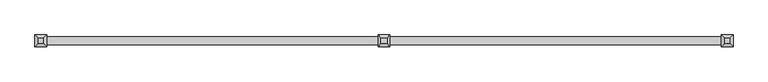
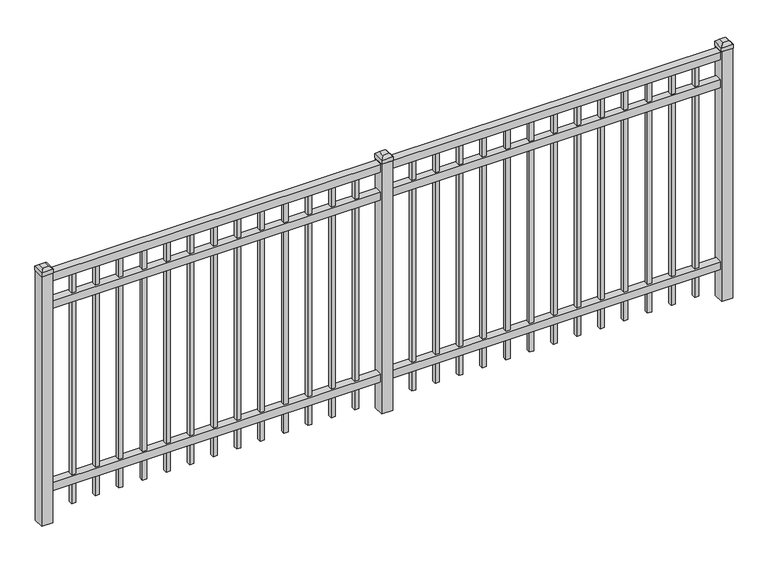
"""IFC4 building model written with IfcOpenShell, lengths in millimetres: railing geometry."""

from ifc_helpers import new_model, si_unit, frame, origin, origin_with_axes, place, context, project, spatial, polyline, outline, extrude, faceted_brep, source, transform, mapped, element, save


def railing_55cb4bf1(model_context):
    return source(origin(), model_context, "Body", "SolidModel", [
        extrude(outline(polyline([(-79633.318087, -3091.1195174), (-79633.318087, -3056.1945174), (-76483.718087, -3056.1945174), (-76483.718087, -3091.1195174), (-79633.318087, -3091.1195174)])), frame((0.0, 0.0, 1181.1), z_axis=(0.0, 0.0, 1.0), x_axis=(1.0, 0.0, 0.0)), (0.0, 0.0, 1.0), 38.1),
        extrude(outline(polyline([(-79633.318087, -3091.1195174), (-79633.318087, -3056.1945174), (-76483.718087, -3056.1945174), (-76483.718087, -3091.1195174), (-79633.318087, -3091.1195174)])), frame((0.0, 0.0, 1044.575), z_axis=(0.0, 0.0, 1.0), x_axis=(1.0, 0.0, 0.0)), (0.0, 0.0, 1.0), 38.1),
        extrude(outline(polyline([(-79633.318087, -3091.1195174), (-79633.318087, -3056.1945174), (-76483.718087, -3056.1945174), (-76483.718087, -3091.1195174), (-79633.318087, -3091.1195174)])), frame((0.0, 0.0, 152.4), z_axis=(0.0, 0.0, 1.0), x_axis=(1.0, 0.0, 0.0)), (0.0, 0.0, 1.0), 38.1),
        extrude(outline(polyline([(-76715.2285036, -3064.1320174), (-76715.2285036, -3083.1820174), (-76734.2785036, -3083.1820174), (-76734.2785036, -3064.1320174), (-76715.2285036, -3064.1320174)])), frame((0.0, 0.0, 50.8), z_axis=(0.0, 0.0, 1.0), x_axis=(1.0, 0.0, 0.0)), (0.0, 0.0, 1.0), 1130.3),
        extrude(outline(polyline([(-76824.5014203, -3064.1320174), (-76824.5014203, -3083.1820174), (-76843.5514203, -3083.1820174), (-76843.5514203, -3064.1320174), (-76824.5014203, -3064.1320174)])), frame((0.0, 0.0, 50.8), z_axis=(0.0, 0.0, 1.0), x_axis=(1.0, 0.0, 0.0)), (0.0, 0.0, 1.0), 1130.3),
        extrude(outline(polyline([(-76933.774337, -3064.1320174), (-76933.774337, -3083.1820174), (-76952.824337, -3083.1820174), (-76952.824337, -3064.1320174), (-76933.774337, -3064.1320174)])), frame((0.0, 0.0, 50.8), z_axis=(0.0, 0.0, 1.0), x_axis=(1.0, 0.0, 0.0)), (0.0, 0.0, 1.0), 1130.3),
        extrude(outline(polyline([(-77043.0472536, -3064.1320174), (-77043.0472536, -3083.1820174), (-77062.0972536, -3083.1820174), (-77062.0972536, -3064.1320174), (-77043.0472536, -3064.1320174)])), frame((0.0, 0.0, 50.8), z_axis=(0.0, 0.0, 1.0), x_axis=(1.0, 0.0, 0.0)), (0.0, 0.0, 1.0), 1130.3),
        extrude(outline(polyline([(-77152.3201703, -3064.1320174), (-77152.3201703, -3083.1820174), (-77171.3701703, -3083.1820174), (-77171.3701703, -3064.1320174), (-77152.3201703, -3064.1320174)])), frame((0.0, 0.0, 50.8), z_axis=(0.0, 0.0, 1.0), x_axis=(1.0, 0.0, 0.0)), (0.0, 0.0, 1.0), 1130.3),
        extrude(outline(polyline([(-77261.593087, -3064.1320174), (-77261.593087, -3083.1820174), (-77280.643087, -3083.1820174), (-77280.643087, -3064.1320174), (-77261.593087, -3064.1320174)])), frame((0.0, 0.0, 50.8), z_axis=(0.0, 0.0, 1.0), x_axis=(1.0, 0.0, 0.0)), (0.0, 0.0, 1.0), 1130.3),
        extrude(outline(polyline([(-77370.8660036, -3064.1320174), (-77370.8660036, -3083.1820174), (-77389.9160036, -3083.1820174), (-77389.9160036, -3064.1320174), (-77370.8660036, -3064.1320174)])), frame((0.0, 0.0, 50.8), z_axis=(0.0, 0.0, 1.0), x_axis=(1.0, 0.0, 0.0)), (0.0, 0.0, 1.0), 1130.3),
        extrude(outline(polyline([(-77480.1389203, -3064.1320174), (-77480.1389203, -3083.1820174), (-77499.1889203, -3083.1820174), (-77499.1889203, -3064.1320174), (-77480.1389203, -3064.1320174)])), frame((0.0, 0.0, 50.8), z_axis=(0.0, 0.0, 1.0), x_axis=(1.0, 0.0, 0.0)), (0.0, 0.0, 1.0), 1130.3),
        extrude(outline(polyline([(-77589.411837, -3064.1320174), (-77589.411837, -3083.1820174), (-77608.461837, -3083.1820174), (-77608.461837, -3064.1320174), (-77589.411837, -3064.1320174)])), frame((0.0, 0.0, 50.8), z_axis=(0.0, 0.0, 1.0), x_axis=(1.0, 0.0, 0.0)), (0.0, 0.0, 1.0), 1130.3),
        extrude(outline(polyline([(-77698.6847536, -3064.1320174), (-77698.6847536, -3083.1820174), (-77717.7347536, -3083.1820174), (-77717.7347536, -3064.1320174), (-77698.6847536, -3064.1320174)])), frame((0.0, 0.0, 50.8), z_axis=(0.0, 0.0, 1.0), x_axis=(1.0, 0.0, 0.0)), (0.0, 0.0, 1.0), 1130.3),
        extrude(outline(polyline([(-77807.9576703, -3064.1320174), (-77807.9576703, -3083.1820174), (-77827.0076703, -3083.1820174), (-77827.0076703, -3064.1320174), (-77807.9576703, -3064.1320174)])), frame((0.0, 0.0, 50.8), z_axis=(0.0, 0.0, 1.0), x_axis=(1.0, 0.0, 0.0)), (0.0, 0.0, 1.0), 1130.3),
        extrude(outline(polyline([(-76605.955587, -3064.1320174), (-76605.955587, -3083.1820174), (-76625.005587, -3083.1820174), (-76625.005587, -3064.1320174), (-76605.955587, -3064.1320174)])), frame((0.0, 0.0, 50.8), z_axis=(0.0, 0.0, 1.0), x_axis=(1.0, 0.0, 0.0)), (0.0, 0.0, 1.0), 1130.3),
        extrude(outline(polyline([(-77917.230587, -3064.1320174), (-77917.230587, -3083.1820174), (-77936.280587, -3083.1820174), (-77936.280587, -3064.1320174), (-77917.230587, -3064.1320174)])), frame((0.0, 0.0, 50.8), z_axis=(0.0, 0.0, 1.0), x_axis=(1.0, 0.0, 0.0)), (0.0, 0.0, 1.0), 1130.3),
        extrude(outline(polyline([(-78033.118087, -3048.2570174), (-78033.118087, -3099.0570174), (-78083.918087, -3099.0570174), (-78083.918087, -3048.2570174), (-78033.118087, -3048.2570174)])), origin_with_axes(), (0.0, 0.0, 1.0), 1225.55),
        faceted_brep([(-78085.505587, -3046.6695174, 1244.6), (-78085.505587, -3046.6695174, 1225.55), (-78085.505587, -3100.6445174, 1225.55), (-78085.505587, -3100.6445174, 1244.6), (-78072.805587, -3059.3695174, 1257.3), (-78072.805587, -3087.9445174, 1257.3), (-78031.530587, -3100.6445174, 1225.55), (-78031.530587, -3100.6445174, 1244.6), (-78044.230587, -3087.9445174, 1257.3), (-78031.530587, -3046.6695174, 1225.55), (-78031.530587, -3046.6695174, 1244.6), (-78044.230587, -3059.3695174, 1257.3)], [[[0, 1, 2, 3]], [[4, 0, 3, 5]], [[3, 2, 6, 7]], [[5, 3, 7, 8]], [[7, 6, 9, 10]], [[8, 7, 10, 11]], [[10, 9, 1, 0]], [[11, 10, 0, 4]], [[5, 8, 11, 4]], [[1, 9, 6, 2]]]),
        extrude(outline(polyline([(-78290.0285036, -3064.1320174), (-78290.0285036, -3083.1820174), (-78309.0785036, -3083.1820174), (-78309.0785036, -3064.1320174), (-78290.0285036, -3064.1320174)])), frame((0.0, 0.0, 50.8), z_axis=(0.0, 0.0, 1.0), x_axis=(1.0, 0.0, 0.0)), (0.0, 0.0, 1.0), 1130.3),
        extrude(outline(polyline([(-78399.3014203, -3064.1320174), (-78399.3014203, -3083.1820174), (-78418.3514203, -3083.1820174), (-78418.3514203, -3064.1320174), (-78399.3014203, -3064.1320174)])), frame((0.0, 0.0, 50.8), z_axis=(0.0, 0.0, 1.0), x_axis=(1.0, 0.0, 0.0)), (0.0, 0.0, 1.0), 1130.3),
        extrude(outline(polyline([(-78508.574337, -3064.1320174), (-78508.574337, -3083.1820174), (-78527.624337, -3083.1820174), (-78527.624337, -3064.1320174), (-78508.574337, -3064.1320174)])), frame((0.0, 0.0, 50.8), z_axis=(0.0, 0.0, 1.0), x_axis=(1.0, 0.0, 0.0)), (0.0, 0.0, 1.0), 1130.3),
        extrude(outline(polyline([(-78617.8472536, -3064.1320174), (-78617.8472536, -3083.1820174), (-78636.8972536, -3083.1820174), (-78636.8972536, -3064.1320174), (-78617.8472536, -3064.1320174)])), frame((0.0, 0.0, 50.8), z_axis=(0.0, 0.0, 1.0), x_axis=(1.0, 0.0, 0.0)), (0.0, 0.0, 1.0), 1130.3),
        extrude(outline(polyline([(-78727.1201703, -3064.1320174), (-78727.1201703, -3083.1820174), (-78746.1701703, -3083.1820174), (-78746.1701703, -3064.1320174), (-78727.1201703, -3064.1320174)])), frame((0.0, 0.0, 50.8), z_axis=(0.0, 0.0, 1.0), x_axis=(1.0, 0.0, 0.0)), (0.0, 0.0, 1.0), 1130.3),
        extrude(outline(polyline([(-78836.393087, -3064.1320174), (-78836.393087, -3083.1820174), (-78855.443087, -3083.1820174), (-78855.443087, -3064.1320174), (-78836.393087, -3064.1320174)])), frame((0.0, 0.0, 50.8), z_axis=(0.0, 0.0, 1.0), x_axis=(1.0, 0.0, 0.0)), (0.0, 0.0, 1.0), 1130.3),
        extrude(outline(polyline([(-78945.6660036, -3064.1320174), (-78945.6660036, -3083.1820174), (-78964.7160036, -3083.1820174), (-78964.7160036, -3064.1320174), (-78945.6660036, -3064.1320174)])), frame((0.0, 0.0, 50.8), z_axis=(0.0, 0.0, 1.0), x_axis=(1.0, 0.0, 0.0)), (0.0, 0.0, 1.0), 1130.3),
        extrude(outline(polyline([(-79054.9389203, -3064.1320174), (-79054.9389203, -3083.1820174), (-79073.9889203, -3083.1820174), (-79073.9889203, -3064.1320174), (-79054.9389203, -3064.1320174)])), frame((0.0, 0.0, 50.8), z_axis=(0.0, 0.0, 1.0), x_axis=(1.0, 0.0, 0.0)), (0.0, 0.0, 1.0), 1130.3),
        extrude(outline(polyline([(-79164.211837, -3064.1320174), (-79164.211837, -3083.1820174), (-79183.261837, -3083.1820174), (-79183.261837, -3064.1320174), (-79164.211837, -3064.1320174)])), frame((0.0, 0.0, 50.8), z_axis=(0.0, 0.0, 1.0), x_axis=(1.0, 0.0, 0.0)), (0.0, 0.0, 1.0), 1130.3),
        extrude(outline(polyline([(-79273.4847536, -3064.1320174), (-79273.4847536, -3083.1820174), (-79292.5347536, -3083.1820174), (-79292.5347536, -3064.1320174), (-79273.4847536, -3064.1320174)])), frame((0.0, 0.0, 50.8), z_axis=(0.0, 0.0, 1.0), x_axis=(1.0, 0.0, 0.0)), (0.0, 0.0, 1.0), 1130.3),
        extrude(outline(polyline([(-79382.7576703, -3064.1320174), (-79382.7576703, -3083.1820174), (-79401.8076703, -3083.1820174), (-79401.8076703, -3064.1320174), (-79382.7576703, -3064.1320174)])), frame((0.0, 0.0, 50.8), z_axis=(0.0, 0.0, 1.0), x_axis=(1.0, 0.0, 0.0)), (0.0, 0.0, 1.0), 1130.3),
        extrude(outline(polyline([(-78180.755587, -3064.1320174), (-78180.755587, -3083.1820174), (-78199.805587, -3083.1820174), (-78199.805587, -3064.1320174), (-78180.755587, -3064.1320174)])), frame((0.0, 0.0, 50.8), z_axis=(0.0, 0.0, 1.0), x_axis=(1.0, 0.0, 0.0)), (0.0, 0.0, 1.0), 1130.3),
        extrude(outline(polyline([(-79492.030587, -3064.1320174), (-79492.030587, -3083.1820174), (-79511.080587, -3083.1820174), (-79511.080587, -3064.1320174), (-79492.030587, -3064.1320174)])), frame((0.0, 0.0, 50.8), z_axis=(0.0, 0.0, 1.0), x_axis=(1.0, 0.0, 0.0)), (0.0, 0.0, 1.0), 1130.3),
        extrude(outline(polyline([(-76458.318087, -3048.2570174), (-76458.318087, -3099.0570174), (-76509.118087, -3099.0570174), (-76509.118087, -3048.2570174), (-76458.318087, -3048.2570174)])), origin_with_axes(), (0.0, 0.0, 1.0), 1225.55),
        faceted_brep([(-76510.705587, -3046.6695174, 1244.6), (-76510.705587, -3046.6695174, 1225.55), (-76510.705587, -3100.6445174, 1225.55), (-76510.705587, -3100.6445174, 1244.6), (-76498.005587, -3059.3695174, 1257.3), (-76498.005587, -3087.9445174, 1257.3), (-76456.730587, -3100.6445174, 1225.55), (-76456.730587, -3100.6445174, 1244.6), (-76469.430587, -3087.9445174, 1257.3), (-76456.730587, -3046.6695174, 1225.55), (-76456.730587, -3046.6695174, 1244.6), (-76469.430587, -3059.3695174, 1257.3)], [[[0, 1, 2, 3]], [[4, 0, 3, 5]], [[3, 2, 6, 7]], [[5, 3, 7, 8]], [[7, 6, 9, 10]], [[8, 7, 10, 11]], [[10, 9, 1, 0]], [[11, 10, 0, 4]], [[5, 8, 11, 4]], [[1, 9, 6, 2]]]),
        extrude(outline(polyline([(-79607.918087, -3048.2570174), (-79607.918087, -3099.0570174), (-79658.718087, -3099.0570174), (-79658.718087, -3048.2570174), (-79607.918087, -3048.2570174)])), origin_with_axes(), (0.0, 0.0, 1.0), 1225.55),
        faceted_brep([(-79660.305587, -3046.6695174, 1244.6), (-79660.305587, -3046.6695174, 1225.55), (-79660.305587, -3100.6445174, 1225.55), (-79660.305587, -3100.6445174, 1244.6), (-79647.605587, -3059.3695174, 1257.3), (-79647.605587, -3087.9445174, 1257.3), (-79606.330587, -3100.6445174, 1225.55), (-79606.330587, -3100.6445174, 1244.6), (-79619.030587, -3087.9445174, 1257.3), (-79606.330587, -3046.6695174, 1225.55), (-79606.330587, -3046.6695174, 1244.6), (-79619.030587, -3059.3695174, 1257.3)], [[[0, 1, 2, 3]], [[4, 0, 3, 5]], [[3, 2, 6, 7]], [[5, 3, 7, 8]], [[7, 6, 9, 10]], [[8, 7, 10, 11]], [[10, 9, 1, 0]], [[11, 10, 0, 4]], [[5, 8, 11, 4]], [[1, 9, 6, 2]]]),
    ])


if __name__ == "__main__":
    model = new_model("IFC4")
    model_context = context("Model", 3, world=origin())
    ifc_project = project(units=[si_unit("LENGTHUNIT", "METRE", prefix="MILLI")], contexts=[model_context])
    site = spatial("IfcSite", under=ifc_project)
    building = spatial("IfcBuilding", under=site)
    placement = place(None, origin())
    railing_shape = railing_55cb4bf1(model_context)
    element("IfcRailing", 1, at=placement, inside=building, context=model_context, shape_type="MappedRepresentation", body=[
        mapped(railing_shape, transform((0.0, 0.0, 0.0), x_axis=(1.0, 0.0, 0.0), y_axis=(0.0, 1.0, 0.0), z_axis=(0.0, 0.0, 1.0))),
    ])
    save(model, "model.ifc")
